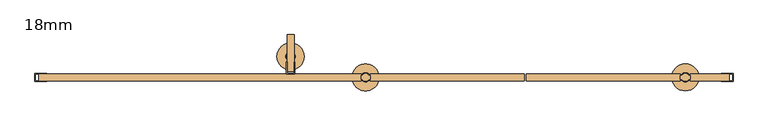
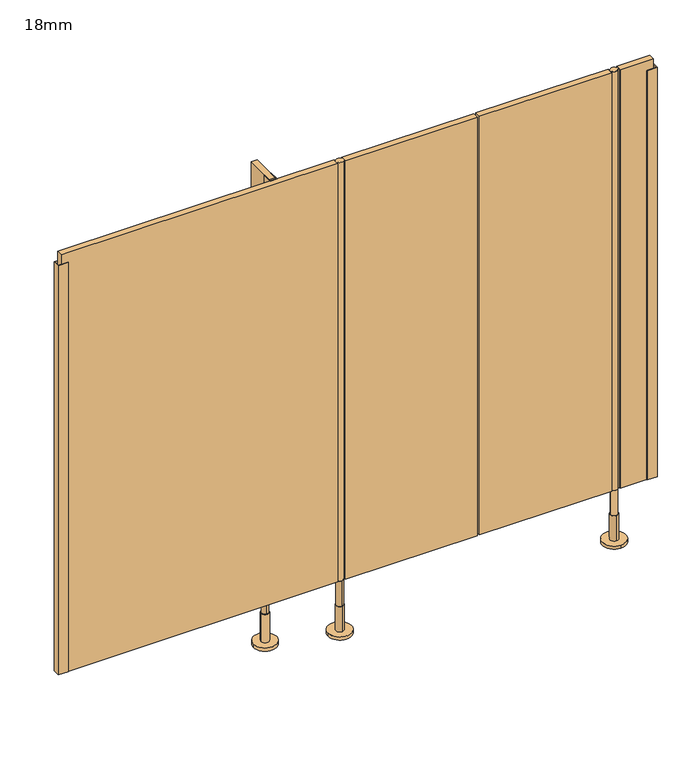
"""IFC4 building model written with IfcOpenShell, lengths in millimetres: door geometry, 18mm."""

from ifc_helpers import new_model, si_unit, point, frame, frame_2d, origin, origin_with_axes, place, context, project, spatial, polyline, circle_curve, trimmed, segment, composite_curve, outline, extrude, source, transform, mapped, element, save
from ifc_brep_helpers import plane_surface, cylinder_surface, advanced_brep


def door_18mm_20cb09ae(model_context):
    return source(origin(), model_context, "Body", "SolidModel", [
        extrude(outline(composite_curve([segment(trimmed(circle_curve(frame_2d((-47.5, -1299.0)), 10.0), [point((-51.8588989, -1290.0))], [point((-43.1411011, -1290.0))], False, "CARTESIAN"), True, "CONTINUOUS"), segment(trimmed(circle_curve(frame_2d((-47.5, -1299.0)), 10.0), [point((-43.1411011, -1290.0))], [point((-38.8391323, -1294.0010631))], False, "CARTESIAN"), True, "CONTINUOUS"), segment(polyline([(-38.8391323, -1294.0010631), (-36.0, -1294.0010631), (-36.0, -1303.9989369), (-38.8391323, -1303.9989369)]), True, "CONTINUOUS"), segment(trimmed(circle_curve(frame_2d((-47.5, -1299.0)), 10.0), [point((-38.8391323, -1303.9989369))], [point((-56.1608677, -1303.9989369))], False, "CARTESIAN"), True, "CONTINUOUS"), segment(polyline([(-56.1608677, -1303.9989369), (-59.0, -1303.9989369), (-59.0, -1294.0010631), (-56.1608677, -1294.0010631)]), True, "CONTINUOUS"), segment(trimmed(circle_curve(frame_2d((-47.5, -1299.0)), 10.0), [point((-56.1608677, -1294.0010631))], [point((-51.8588989, -1290.0))], False, "CARTESIAN"), True, "CONTINUOUS")], self_intersect=False)), frame((0.0, 0.0, 170.0), z_axis=(0.0, 0.0, 1.0), x_axis=(1.0, 0.0, 0.0)), (0.0, 0.0, 1.0), 1330.0),
        extrude(outline(composite_curve([segment(trimmed(circle_curve(frame_2d((777.0, -1299.0)), 10.0), [point((785.6608677, -1303.9989369))], [point((768.3391323, -1303.9989369))], False, "CARTESIAN"), True, "CONTINUOUS"), segment(polyline([(768.3391323, -1303.9989369), (764.0, -1303.9989369), (764.0, -1294.0010631), (768.3391323, -1294.0010631)]), True, "CONTINUOUS"), segment(trimmed(circle_curve(frame_2d((777.0, -1299.0)), 10.0), [point((768.3391323, -1294.0010631))], [point((785.6608677, -1294.0010631))], False, "CARTESIAN"), True, "CONTINUOUS"), segment(polyline([(785.6608677, -1294.0010631), (790.0, -1294.0010631), (790.0, -1303.9989369), (785.6608677, -1303.9989369)]), True, "CONTINUOUS")], self_intersect=False)), frame((0.0, 0.0, 170.0), z_axis=(0.0, 0.0, 1.0), x_axis=(1.0, 0.0, 0.0)), (0.0, 0.0, 1.0), 1330.0),
        extrude(outline(polyline([(367.0002203, -1290.0), (764.0, -1290.0), (764.0, -1308.0), (367.0002203, -1308.0), (367.0002203, -1290.0)])), frame((0.0, 0.0, 170.0), z_axis=(0.0, 0.0, 1.0), x_axis=(1.0, 0.0, 0.0)), (0.0, 0.0, 1.0), 1330.0),
        extrude(outline(polyline([(360.9997797, -1308.0), (-36.0, -1308.0), (-36.0, -1290.0), (360.9997797, -1290.0), (360.9997797, -1308.0)])), frame((0.0, 0.0, 170.0), z_axis=(0.0, 0.0, 1.0), x_axis=(1.0, 0.0, 0.0)), (0.0, 0.0, 1.0), 1330.0),
        advanced_brep(
        [(787.0, -1299.0, 170.0), (767.0, -1299.0, 170.0), (767.0, -1299.0, 90.0), (787.0, -1299.0, 90.0), (777.0, -1287.0, 90.0), (777.0, -1311.0, 90.0), (777.0, -1287.0, 10.0), (777.0, -1311.0, 10.0), (777.0, -1264.0, 10.0), (777.0, -1334.0, 10.0), (777.0, -1264.0, 0.0), (777.0, -1334.0, 0.0)],
        [
            (0, 1, circle_curve(frame((777.0, -1299.0, 170.0), z_axis=(0.0, 0.0, 1.0), x_axis=(-1.0, 0.0, 0.0)), 10.0)),
            (1, 0, circle_curve(frame((777.0, -1299.0, 170.0), z_axis=(0.0, 0.0, 1.0), x_axis=(-1.0, 0.0, 0.0)), 10.0)),
            (1, 2),
            (2, 3, circle_curve(frame((777.0, -1299.0, 90.0), z_axis=(0.0, 0.0, 1.0), x_axis=(-1.0, 0.0, 0.0)), 10.0)),
            (3, 0),
            (3, 2, circle_curve(frame((777.0, -1299.0, 90.0), z_axis=(0.0, 0.0, 1.0), x_axis=(-1.0, 0.0, 0.0)), 10.0)),
            (4, 5, circle_curve(frame((777.0, -1299.0, 90.0), z_axis=(0.0, 0.0, 1.0), x_axis=(0.0, -1.0, 0.0)), 12.0)),
            (5, 4, circle_curve(frame((777.0, -1299.0, 90.0), z_axis=(0.0, 0.0, 1.0), x_axis=(0.0, -1.0, 0.0)), 12.0)),
            (4, 6),
            (6, 7, circle_curve(frame((777.0, -1299.0, 10.0), z_axis=(0.0, 0.0, 1.0), x_axis=(0.0, -1.0, 0.0)), 12.0)),
            (7, 5),
            (7, 6, circle_curve(frame((777.0, -1299.0, 10.0), z_axis=(0.0, 0.0, 1.0), x_axis=(0.0, -1.0, 0.0)), 12.0)),
            (8, 9, circle_curve(frame((777.0, -1299.0, 10.0), z_axis=(0.0, 0.0, 1.0), x_axis=(0.0, -1.0, 0.0)), 35.0)),
            (9, 8, circle_curve(frame((777.0, -1299.0, 10.0), z_axis=(0.0, 0.0, 1.0), x_axis=(0.0, -1.0, 0.0)), 35.0)),
            (10, 11, circle_curve(frame((777.0, -1299.0, 0.0), z_axis=(0.0, 0.0, -1.0), x_axis=(0.0, -1.0, 0.0)), 35.0)),
            (11, 10, circle_curve(frame((777.0, -1299.0, 0.0), z_axis=(0.0, 0.0, -1.0), x_axis=(0.0, -1.0, 0.0)), 35.0)),
            (8, 10),
            (11, 9),
        ],
        [
            plane_surface(frame((777.0, -1290.0, 170.0), z_axis=(0.0, 0.0, 1.0), x_axis=(0.0, -1.0, 0.0))),
            cylinder_surface(frame((777.0, -1299.0, 90.0), z_axis=(0.0, 0.0, -1.0), x_axis=(-1.0, 0.0, 0.0)), 10.0),
            plane_surface(frame((777.0, -1290.0, 90.0), z_axis=(0.0, 0.0, 1.0), x_axis=(0.0, -1.0, 0.0))),
            cylinder_surface(frame((777.0, -1299.0, 90.0), z_axis=(0.0, 0.0, 1.0), x_axis=(0.0, -1.0, 0.0)), 12.0),
            plane_surface(frame((777.0, -1290.0, 10.0), z_axis=(0.0, 0.0, 1.0), x_axis=(0.0, -1.0, 0.0))),
            plane_surface(frame((777.0, -1290.0, 0.0), z_axis=(0.0, 0.0, -1.0), x_axis=(0.0, -1.0, 0.0))),
            cylinder_surface(frame((777.0, -1299.0, 10.0), z_axis=(0.0, 0.0, 1.0), x_axis=(0.0, -1.0, 0.0)), 35.0),
        ],
        [
            (0, [[1, 2]]),
            (1, [[-2, 3, 4, 5]]),
            (1, [[-1, -5, 6, -3]]),
            (2, [[7, 8], [-4, -6]]),
            (3, [[-7, 9, 10, 11]]),
            (3, [[-8, -11, 12, -9]]),
            (4, [[13, 14], [-10, -12]]),
            (5, [[15, 16]]),
            (6, [[-13, 17, -16, 18]]),
            (6, [[-14, -18, -15, -17]]),
        ],
    ),
        advanced_brep(
        [(-47.5, -1309.0, 170.0), (-47.5, -1289.0, 170.0), (-47.5, -1289.0, 90.0), (-47.5, -1309.0, 90.0), (-47.5, -1287.0, 90.0), (-47.5, -1311.0, 90.0), (-47.5, -1287.0, 10.0), (-47.5, -1311.0, 10.0), (-12.5, -1299.0, 0.0), (-82.5, -1299.0, 0.0), (-12.5, -1299.0, 10.0), (-82.5, -1299.0, 10.0)],
        [
            (0, 1, circle_curve(frame((-47.5, -1299.0, 170.0), z_axis=(0.0, 0.0, -1.0), x_axis=(0.0, -1.0, 0.0)), 10.0)),
            (1, 2),
            (2, 3, circle_curve(frame((-47.5, -1299.0, 90.0), z_axis=(0.0, 0.0, 1.0), x_axis=(0.0, -1.0, 0.0)), 10.0)),
            (3, 0),
            (1, 0, circle_curve(frame((-47.5, -1299.0, 170.0), z_axis=(0.0, 0.0, -1.0), x_axis=(0.0, -1.0, 0.0)), 10.0)),
            (3, 2, circle_curve(frame((-47.5, -1299.0, 90.0), z_axis=(0.0, 0.0, 1.0), x_axis=(0.0, -1.0, 0.0)), 10.0)),
            (4, 5, circle_curve(frame((-47.5, -1299.0, 90.0), z_axis=(0.0, 0.0, 1.0), x_axis=(0.0, -1.0, 0.0)), 12.0)),
            (5, 4, circle_curve(frame((-47.5, -1299.0, 90.0), z_axis=(0.0, 0.0, 1.0), x_axis=(0.0, -1.0, 0.0)), 12.0)),
            (4, 6),
            (6, 7, circle_curve(frame((-47.5, -1299.0, 10.0), z_axis=(0.0, 0.0, 1.0), x_axis=(0.0, -1.0, 0.0)), 12.0)),
            (7, 5),
            (7, 6, circle_curve(frame((-47.5, -1299.0, 10.0), z_axis=(0.0, 0.0, 1.0), x_axis=(0.0, -1.0, 0.0)), 12.0)),
            (8, 9, circle_curve(frame((-47.5, -1299.0, 0.0), z_axis=(0.0, 0.0, -1.0), x_axis=(-1.0, 0.0, 0.0)), 35.0)),
            (9, 8, circle_curve(frame((-47.5, -1299.0, 0.0), z_axis=(0.0, 0.0, -1.0), x_axis=(-1.0, 0.0, 0.0)), 35.0)),
            (10, 11, circle_curve(frame((-47.5, -1299.0, 10.0), z_axis=(0.0, 0.0, 1.0), x_axis=(-1.0, 0.0, 0.0)), 35.0)),
            (11, 10, circle_curve(frame((-47.5, -1299.0, 10.0), z_axis=(0.0, 0.0, 1.0), x_axis=(-1.0, 0.0, 0.0)), 35.0)),
            (8, 10),
            (11, 9),
        ],
        [
            cylinder_surface(frame((-47.5, -1299.0, 170.0), z_axis=(0.0, 0.0, 1.0), x_axis=(0.0, -1.0, 0.0)), 10.0),
            plane_surface(frame((-47.5, -1290.0, 90.0), z_axis=(0.0, 0.0, 1.0), x_axis=(0.0, -1.0, 0.0))),
            cylinder_surface(frame((-47.5, -1299.0, 90.0), z_axis=(0.0, 0.0, 1.0), x_axis=(0.0, -1.0, 0.0)), 12.0),
            plane_surface(frame((-47.5, -1290.0, 0.0), z_axis=(0.0, 0.0, -1.0), x_axis=(0.0, -1.0, 0.0))),
            plane_surface(frame((-47.5, -1290.0, 10.0), z_axis=(0.0, 0.0, 1.0), x_axis=(0.0, -1.0, 0.0))),
            cylinder_surface(frame((-47.5, -1299.0, 0.0), z_axis=(0.0, 0.0, -1.0), x_axis=(-1.0, 0.0, 0.0)), 35.0),
            plane_surface(frame((-47.5, -1290.0, 170.0), z_axis=(0.0, 0.0, 1.0), x_axis=(0.0, -1.0, 0.0))),
        ],
        [
            (0, [[1, 2, 3, 4]]),
            (0, [[5, -4, 6, -2]]),
            (1, [[7, 8], [-3, -6]]),
            (2, [[-7, 9, 10, 11]]),
            (2, [[-8, -11, 12, -9]]),
            (3, [[13, 14]]),
            (4, [[15, 16], [-10, -12]]),
            (5, [[-13, 17, -16, 18]]),
            (5, [[-14, -18, -15, -17]]),
            (6, [[-1, -5]]),
        ],
    ),
        extrude(outline(polyline([(-230.5, -1290.0), (-251.5, -1290.0), (-251.5, -1260.0), (-250.0, -1260.0), (-250.0, -1288.5), (-232.0, -1288.5), (-232.0, -1260.0), (-230.5, -1260.0), (-230.5, -1290.0)])), frame((0.0, 0.0, 170.0), z_axis=(0.0, 0.0, 1.0), x_axis=(1.0, 0.0, 0.0)), (0.0, 0.0, 1.0), 1330.0),
        extrude(outline(polyline([(-250.0, -1284.0), (-250.0, -1189.0), (-232.0, -1189.0), (-232.0, -1284.0), (-250.0, -1284.0)])), frame((0.0, 0.0, 170.0), z_axis=(0.0, 0.0, 1.0), x_axis=(1.0, 0.0, 0.0)), (0.0, 0.0, 1.0), 1330.0),
        extrude(outline(polyline([(900.0, -1309.5), (870.0, -1309.5), (870.0, -1308.0), (898.5, -1308.0), (898.5, -1290.0), (870.0, -1290.0), (870.0, -1288.5), (900.0, -1288.5), (900.0, -1309.5)])), frame((0.0, 0.0, 170.0), z_axis=(0.0, 0.0, 1.0), x_axis=(1.0, 0.0, 0.0)), (0.0, 0.0, 1.0), 1300.0),
        extrude(outline(polyline([(-900.0, -1288.5), (-870.0, -1288.5), (-870.0, -1290.0), (-898.5, -1290.0), (-898.5, -1308.0), (-870.0, -1308.0), (-870.0, -1309.5), (-900.0, -1309.5), (-900.0, -1288.5)])), frame((0.0, 0.0, 170.0), z_axis=(0.0, 0.0, 1.0), x_axis=(1.0, 0.0, 0.0)), (0.0, 0.0, 1.0), 1300.0),
        extrude(outline(polyline([(790.0, -1290.0), (890.0, -1290.0), (890.0, -1308.0), (790.0, -1308.0), (790.0, -1290.0)])), frame((0.0, 0.0, 170.0), z_axis=(0.0, 0.0, 1.0), x_axis=(1.0, 0.0, 0.0)), (0.0, 0.0, 1.0), 1330.0),
        extrude(outline(polyline([(-59.0, -1290.0), (-59.0, -1308.0), (-890.0, -1308.0), (-890.0, -1290.0), (-59.0, -1290.0)])), frame((0.0, 0.0, 170.0), z_axis=(0.0, 0.0, 1.0), x_axis=(1.0, 0.0, 0.0)), (0.0, 0.0, 1.0), 1330.0),
        extrude(outline(composite_curve([segment(trimmed(circle_curve(frame_2d((-241.0, -1245.0)), 35.0), [point((-276.0, -1245.0))], [point((-206.0, -1245.0))], False, "CARTESIAN"), True, "CONTINUOUS"), segment(trimmed(circle_curve(frame_2d((-241.0, -1245.0)), 35.0), [point((-206.0, -1245.0))], [point((-276.0, -1245.0))], False, "CARTESIAN"), True, "CONTINUOUS")], self_intersect=False)), origin_with_axes(), (0.0, 0.0, 1.0), 10.0),
        extrude(outline(composite_curve([segment(trimmed(circle_curve(frame_2d((-241.0, -1245.0)), 12.0), [point((-253.0, -1245.0))], [point((-229.0, -1245.0))], False, "CARTESIAN"), True, "CONTINUOUS"), segment(trimmed(circle_curve(frame_2d((-241.0, -1245.0)), 12.0), [point((-229.0, -1245.0))], [point((-253.0, -1245.0))], False, "CARTESIAN"), True, "CONTINUOUS")], self_intersect=False)), frame((0.0, 0.0, 10.0), z_axis=(0.0, 0.0, 1.0), x_axis=(1.0, 0.0, 0.0)), (0.0, 0.0, 1.0), 90.0),
        extrude(outline(composite_curve([segment(trimmed(circle_curve(frame_2d((-241.0, -1245.0)), 10.0), [point((-241.0, -1255.0))], [point((-241.0, -1235.0))], False, "CARTESIAN"), True, "CONTINUOUS"), segment(trimmed(circle_curve(frame_2d((-241.0, -1245.0)), 10.0), [point((-241.0, -1235.0))], [point((-241.0, -1255.0))], False, "CARTESIAN"), True, "CONTINUOUS")], self_intersect=False)), frame((0.0, 0.0, 100.0), z_axis=(0.0, 0.0, 1.0), x_axis=(1.0, 0.0, 0.0)), (0.0, 0.0, 1.0), 70.0),
    ])


if __name__ == "__main__":
    model = new_model("IFC4")
    model_context = context("Model", 3, world=origin())
    ifc_project = project(units=[si_unit("LENGTHUNIT", "METRE", prefix="MILLI")], contexts=[model_context])
    site = spatial("IfcSite", under=ifc_project)
    building = spatial("IfcBuilding", under=site)
    placement = place(None, origin())
    door_18mm_shape = door_18mm_20cb09ae(model_context)
    element("IfcDoor", 1, ObjectType="18mm", at=placement, inside=building, context=model_context, shape_type="MappedRepresentation", body=[
        mapped(door_18mm_shape, transform((0.0, 0.0, 0.0), x_axis=(1.0, 0.0, 0.0), y_axis=(0.0, 1.0, 0.0), z_axis=(0.0, 0.0, 1.0))),
    ])
    save(model, "model.ifc")
